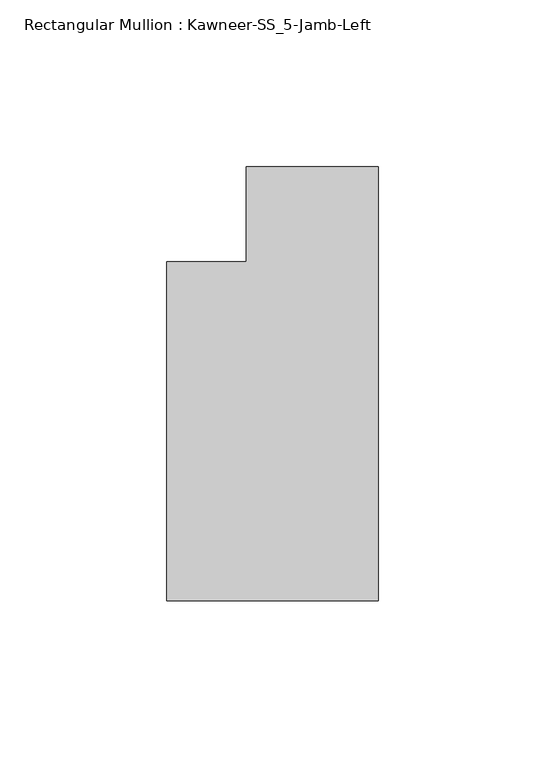
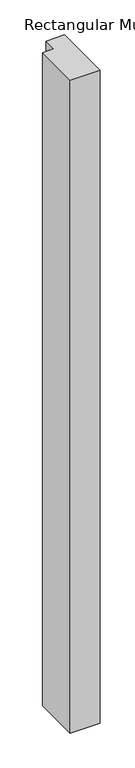
"""IFC4 building model written with IfcOpenShell, lengths in millimetres: member geometry, Rectangular Mullion : Kawneer-SS_5-Jamb-Left."""

import ifcopenshell
import ifcopenshell.guid

model = None  # the IFC model being written
_history = None  # IfcOwnerHistory: only IFC2X3 demands one
_inside = {}  # id of a spatial element -> (the spatial element, [elements in it])
_under = {}  # id of a project, library or spatial element -> (it, [spatial elements below it])
_declared = {}  # id of a project -> (the project, [libraries it declares])
_typed = {}  # id of a type object -> (the type object, [elements of that type])
_made_of = {}  # id of a material, layer set ... -> (it, [elements and type objects made of it])


def new_model(schema):
    """Start an empty IFC model of exactly this schema.

    Asked for "IFC4X3", IfcOpenShell would pick the latest addendum, in which some entities
    have other attributes; the version numbers below select the first issue.
    IFC2X3 requires an IfcOwnerHistory on every rooted entity: one is made here for all.
    """
    global model, _history
    if schema == "IFC4X3":
        model = ifcopenshell.file(schema_version=(4, 3, 0, 0))
    else:
        model = ifcopenshell.file(schema=schema)
    _inside.clear()
    _under.clear()
    _declared.clear()
    _typed.clear()
    _made_of.clear()
    _history = None
    if model.schema == "IFC2X3":
        org = make("IfcOrganization", Name="unknown")
        user = make(
            "IfcPersonAndOrganization",
            ThePerson=make("IfcPerson", FamilyName="unknown"),
            TheOrganization=org,
        )
        app = make(
            "IfcApplication",
            ApplicationDeveloper=org,
            Version="unknown",
            ApplicationFullName="unknown",
            ApplicationIdentifier="unknown",
        )
        _history = make(
            "IfcOwnerHistory",
            OwningUser=user,
            OwningApplication=app,
            ChangeAction="ADDED",
            CreationDate=0,
        )
    return model


def make(cls, **values):
    """One entity of the class cls with the attributes given. An attribute that is None is left unset."""
    return model.create_entity(
        cls, **{name: value for name, value in values.items() if value is not None}
    )


def rooted(cls, **values):
    """An entity with a GlobalId (a new one), such as an element, a storey or a relation."""
    return make(cls, GlobalId=ifcopenshell.guid.new(), OwnerHistory=_history, **values)


def si_unit(unit_type, name, prefix=None):
    """IfcSIUnit, for example si_unit("LENGTHUNIT", "METRE", prefix="MILLI")."""
    return make("IfcSIUnit", UnitType=unit_type, Prefix=prefix, Name=name)


def assignment(units):
    """IfcUnitAssignment: the units of a project."""
    return None if units is None else make("IfcUnitAssignment", Units=units)


def point(xyz):
    """IfcCartesianPoint."""
    return None if xyz is None else make("IfcCartesianPoint", Coordinates=xyz)


def direction(xyz):
    """IfcDirection."""
    return None if xyz is None else make("IfcDirection", DirectionRatios=xyz)


def frame(location, z_axis=None, x_axis=None):
    """IfcAxis2Placement3D, a coordinate frame: its origin and axes. An axis left out is left unset."""
    return make(
        "IfcAxis2Placement3D",
        Location=point(location),
        Axis=direction(z_axis),
        RefDirection=direction(x_axis),
    )


def origin():
    """The frame at (0, 0, 0) with its axes left unset."""
    return frame((0.0, 0.0, 0.0))


def place(relative_to, where):
    """IfcLocalPlacement: puts the frame where relative to a parent placement (None: the world)."""
    return make(
        "IfcLocalPlacement", PlacementRelTo=relative_to, RelativePlacement=where
    )


def context(
    kind, dimensions, precision=None, world=None, true_north=None, identifier=None
):
    """IfcGeometricRepresentationContext, for example the 3D "Model" context."""
    return make(
        "IfcGeometricRepresentationContext",
        ContextIdentifier=identifier,
        ContextType=kind,
        CoordinateSpaceDimension=dimensions,
        Precision=precision,
        WorldCoordinateSystem=world,
        TrueNorth=true_north,
    )


def project(units=None, contexts=None):
    """IfcProject with its units and contexts."""
    return rooted(
        "IfcProject",
        Name="project",
        RepresentationContexts=contexts,
        UnitsInContext=assignment(units),
    )


def spatial(cls, under=None, at=None, **own):
    """A site, building, storey or space (cls), placed at a placement, below another one or the project."""
    s = rooted(cls, ObjectPlacement=at, **own)
    if under is not None:
        _under.setdefault(under.id(), (under, []))[1].append(s)
    return s


def polyline(points):
    """IfcPolyline through the points."""
    return make("IfcPolyline", Points=[point(p) for p in points])


def outline(outer, holes=None, kind="AREA"):
    """IfcArbitraryClosedProfileDef: a profile drawn as a closed curve; with holes, ...WithVoids."""
    if holes is None:
        return make("IfcArbitraryClosedProfileDef", ProfileType=kind, OuterCurve=outer)
    return make(
        "IfcArbitraryProfileDefWithVoids",
        ProfileType=kind,
        OuterCurve=outer,
        InnerCurves=holes,
    )


def extrude(swept, where, along, depth):
    """IfcExtrudedAreaSolid: the profile swept, set in the frame where, extruded along a direction by depth."""
    return make(
        "IfcExtrudedAreaSolid",
        SweptArea=swept,
        Position=where,
        ExtrudedDirection=direction(along),
        Depth=depth,
    )


def shape(context_of_items, identifier, shape_type, items):
    """IfcShapeRepresentation: the items that make up one representation, for example the "Body"."""
    return make(
        "IfcShapeRepresentation",
        ContextOfItems=context_of_items,
        RepresentationIdentifier=identifier,
        RepresentationType=shape_type,
        Items=items,
    )


def source(mapping_origin, context_of_items, identifier, shape_type, items):
    """IfcRepresentationMap: a shape defined once, which mapped items show again and again."""
    return make(
        "IfcRepresentationMap",
        MappingOrigin=mapping_origin,
        MappedRepresentation=shape(context_of_items, identifier, shape_type, items),
    )


def transform(
    local_origin,
    x_axis=None,
    y_axis=None,
    z_axis=None,
    scale=None,
    scale2=None,
    scale3=None,
    uniform=True,
):
    """IfcCartesianTransformationOperator3D, or its non-uniform kind. x_axis, y_axis, z_axis: its Axis1, 2, 3."""
    if uniform:
        return make(
            "IfcCartesianTransformationOperator3D",
            Axis1=direction(x_axis),
            Axis2=direction(y_axis),
            LocalOrigin=point(local_origin),
            Scale=scale,
            Axis3=direction(z_axis),
        )
    return make(
        "IfcCartesianTransformationOperator3DnonUniform",
        Axis1=direction(x_axis),
        Axis2=direction(y_axis),
        LocalOrigin=point(local_origin),
        Scale=scale,
        Axis3=direction(z_axis),
        Scale2=scale2,
        Scale3=scale3,
    )


def mapped(mapping_source, mapping_target):
    """IfcMappedItem: shows the shape of a source again, moved by a transform."""
    return make(
        "IfcMappedItem", MappingSource=mapping_source, MappingTarget=mapping_target
    )


def made_of(thing, what):
    """Note that an element or type object is made of a material, layer set ...; save() writes the relation."""
    if what is not None:
        _made_of.setdefault(what.id(), (what, []))[1].append(thing)
    return thing


def element(
    cls,
    number,
    at=None,
    inside=None,
    cuts=None,
    type_object=None,
    material=None,
    context=None,
    identifier="Body",
    shape_type=None,
    held_by="IfcProductDefinitionShape",
    body=None,
    shapes=None,
    **own,
):
    """One element of the class cls, such as IfcWall. Its Tag is "e" and its number.

    at: its placement. inside: the storey or other place that contains it. cuts: it is an
    opening in that element (IfcRelVoidsElement). A single representation is given by context,
    identifier, shape_type and body (its items); several are given by shapes. held_by: the class
    of the entity that holds the representations. save() writes the other relations.
    """
    e = rooted(cls, Tag="e%d" % number, ObjectPlacement=at, **own)
    if body is not None:
        shapes = [shape(context, identifier, shape_type, body)]
    if shapes is not None:
        e.Representation = make(held_by, Representations=shapes)
    if inside is not None:
        _inside.setdefault(inside.id(), (inside, []))[1].append(e)
    if cuts is not None:
        rooted(
            "IfcRelVoidsElement", RelatingBuildingElement=cuts, RelatedOpeningElement=e
        )
    if type_object is not None:
        _typed.setdefault(type_object.id(), (type_object, []))[1].append(e)
    return made_of(e, material)


def aggregate(whole, parts):
    """IfcRelAggregates: a whole, such as a stair, and the parts it consists of."""
    return rooted("IfcRelAggregates", RelatingObject=whole, RelatedObjects=parts)


def save(model, path):
    """Write the relations noted so far, then the file.

    IfcRelAggregates (storeys below a building ...), IfcRelContainedInSpatialStructure (elements
    in a storey), IfcRelDefinesByType, IfcRelAssociatesMaterial and IfcRelDeclares: one each for
    every whole, place, type object, material and project.
    """
    for whole, parts in _under.values():
        aggregate(whole, parts)
    for where, things in _inside.values():
        rooted(
            "IfcRelContainedInSpatialStructure",
            RelatedElements=things,
            RelatingStructure=where,
        )
    for kind, things in _typed.values():
        rooted("IfcRelDefinesByType", RelatedObjects=things, RelatingType=kind)
    for what, things in _made_of.values():
        rooted("IfcRelAssociatesMaterial", RelatedObjects=things, RelatingMaterial=what)
    for by, libraries in _declared.values():
        rooted("IfcRelDeclares", RelatingContext=by, RelatedDefinitions=libraries)
    model.write(path)


def rectangular_mullion_kawneer_ss_5_jamb_left_a68414e4(model_context):
    return source(origin(), model_context, "Body", "SweptSolid", [
        extrude(outline(polyline([(0.0, -115.8875), (-63.5, -115.8875), (-63.5, -14.2875), (-39.6875, -14.2875), (-39.6875, 14.2875), (0.0, 14.2875), (0.0, -115.8875)])), frame((0.0, 0.0, -1460.5), z_axis=(0.0, 0.0, 1.0), x_axis=(1.0, 0.0, 0.0)), (0.0, 0.0, 1.0), 1460.5),
    ])


if __name__ == "__main__":
    model = new_model("IFC4")
    model_context = context("Model", 3, world=origin())
    ifc_project = project(units=[si_unit("LENGTHUNIT", "METRE", prefix="MILLI")], contexts=[model_context])
    site = spatial("IfcSite", under=ifc_project)
    building = spatial("IfcBuilding", under=site)
    placement = place(None, origin())
    rectangular_mullion_kawneer_ss_5_jamb_left_shape = rectangular_mullion_kawneer_ss_5_jamb_left_a68414e4(model_context)
    element("IfcMember", 1, ObjectType="Rectangular Mullion : Kawneer-SS_5-Jamb-Left", at=placement, inside=building, context=model_context, shape_type="MappedRepresentation", body=[
        mapped(rectangular_mullion_kawneer_ss_5_jamb_left_shape, transform((0.0, 0.0, 0.0), x_axis=(1.0, 0.0, 0.0), y_axis=(0.0, 1.0, 0.0), z_axis=(0.0, 0.0, 1.0))),
    ])
    save(model, "model.ifc")
